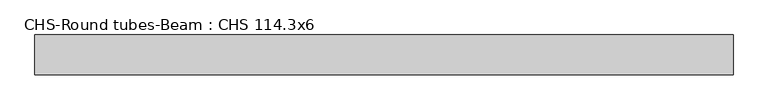
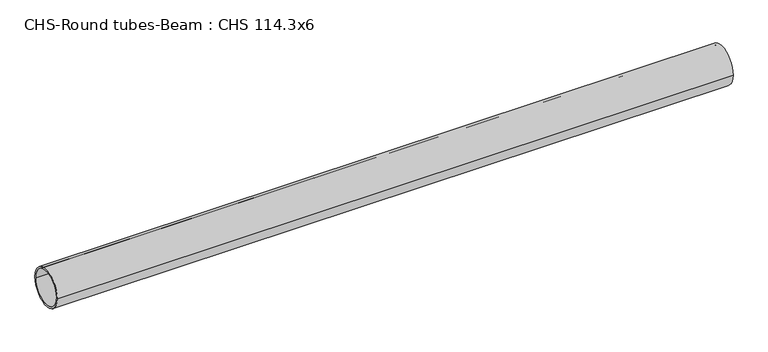
"""IFC4 building model written with IfcOpenShell, lengths in millimetres: beam geometry, CHS-Round tubes-Beam : CHS 114.3x6."""

from ifc_helpers import new_model, si_unit, point, frame, origin, origin_2d, place, context, project, spatial, circle_curve, trimmed, segment, composite_curve, outline, extrude, source, transform, mapped, element, save


def chs_round_tubes_beam_chs_114_3x6_50403329(model_context):
    return source(origin(), model_context, "Body", "SweptSolid", [
        extrude(outline(composite_curve([segment(trimmed(circle_curve(origin_2d(), 57.15), [point((57.15, 0.0))], [point((-57.15, 0.0))], False, "CARTESIAN"), True, "CONTINUOUS"), segment(trimmed(circle_curve(origin_2d(), 57.15), [point((-57.15, 0.0))], [point((57.15, 0.0))], False, "CARTESIAN"), True, "CONTINUOUS")], self_intersect=False), holes=[composite_curve([segment(trimmed(circle_curve(origin_2d(), 51.15), [point((51.15, 0.0))], [point((-51.15, 0.0))], True, "CARTESIAN"), True, "CONTINUOUS"), segment(trimmed(circle_curve(origin_2d(), 51.15), [point((-51.15, 0.0))], [point((51.15, 0.0))], True, "CARTESIAN"), True, "CONTINUOUS")], self_intersect=False)]), frame((-907.5621923, 0.0, 0.0), z_axis=(1.0, 0.0, 0.0), x_axis=(0.0, 1.0, 0.0)), (0.0, 0.0, 1.0), 2003.8069866),
    ])


if __name__ == "__main__":
    model = new_model("IFC4")
    model_context = context("Model", 3, world=origin())
    ifc_project = project(units=[si_unit("LENGTHUNIT", "METRE", prefix="MILLI")], contexts=[model_context])
    site = spatial("IfcSite", under=ifc_project)
    building = spatial("IfcBuilding", under=site)
    placement = place(None, origin())
    chs_round_tubes_beam_chs_114_3x6_shape = chs_round_tubes_beam_chs_114_3x6_50403329(model_context)
    element("IfcBeam", 1, ObjectType="CHS-Round tubes-Beam : CHS 114.3x6", at=placement, inside=building, context=model_context, shape_type="MappedRepresentation", body=[
        mapped(chs_round_tubes_beam_chs_114_3x6_shape, transform((0.0, 0.0, 0.0), x_axis=(1.0, 0.0, 0.0), y_axis=(0.0, 1.0, 0.0), z_axis=(0.0, 0.0, 1.0))),
    ])
    save(model, "model.ifc")
